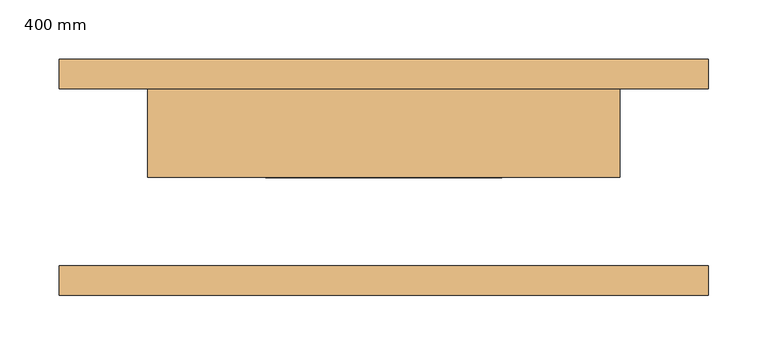
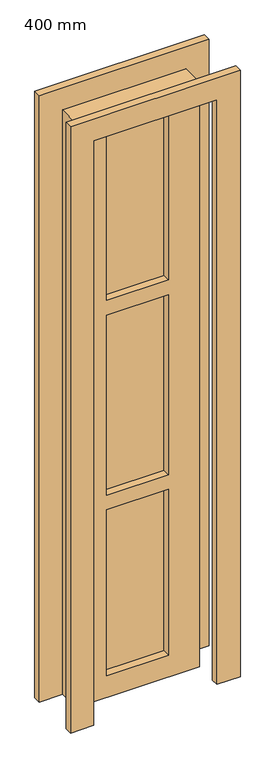
"""IFC4 building model written with IfcOpenShell, lengths in millimetres: door geometry, 400 mm."""

from ifc_helpers import new_model, si_unit, frame, origin, place, context, project, spatial, polyline, outline, extrude, source, transform, mapped, element, save


def door_400_mm_447e9571(model_context):
    return source(origin(), model_context, "Body", "SweptSolid", [
        extrude(outline(polyline([(2000.0, -200.0), (2000.0, 200.0), (0.0, 200.0), (0.0, 275.0), (2075.0, 275.0), (2075.0, -275.0), (0.0, -275.0), (0.0, -200.0), (2000.0, -200.0)])), frame((0.0, 75.0, 0.0), z_axis=(0.0, 1.0, 0.0), x_axis=(0.0, 0.0, 1.0)), (0.0, 0.0, 1.0), 25.0),
        extrude(outline(polyline([(2075.0, -275.0), (0.0, -275.0), (0.0, -200.0), (2000.0, -200.0), (2000.0, 200.0), (0.0, 200.0), (0.0, 275.0), (2075.0, 275.0), (2075.0, -275.0)])), frame((0.0, -100.0, 0.0), z_axis=(0.0, 1.0, 0.0), x_axis=(0.0, 0.0, 1.0)), (0.0, 0.0, 1.0), 25.0),
        extrude(outline(polyline([(-100.0, 50.0), (100.0, 50.0), (100.0, 25.0), (-100.0, 25.0), (-100.0, 50.0)])), frame((0.0, 0.0, 691.7), z_axis=(0.0, 0.0, 1.0), x_axis=(1.0, 0.0, 0.0)), (0.0, 0.0, 1.0), 616.7),
        extrude(outline(polyline([(2000.0, 200.0), (2000.0, -200.0), (0.0, -200.0), (0.0, 200.0), (2000.0, 200.0)]), holes=[polyline([(641.7333333, -100.0), (641.7333333, 100.0), (75.0333333, 100.0), (75.0333333, -100.0), (641.7333333, -100.0)]), polyline([(1308.4, -100.0), (1308.4, 100.0), (691.7, 100.0), (691.7, -100.0), (1308.4, -100.0)]), polyline([(1925.0666667, -100.0), (1925.0666667, 100.0), (1358.3666667, 100.0), (1358.3666667, -100.0), (1925.0666667, -100.0)])]), frame((0.0, 0.0, 0.0), z_axis=(0.0, 1.0, 0.0), x_axis=(0.0, 0.0, 1.0)), (0.0, 0.0, 1.0), 75.0),
        extrude(outline(polyline([(-100.0, 50.0), (100.0, 50.0), (100.0, 25.0), (-100.0, 25.0), (-100.0, 50.0)])), frame((0.0, 0.0, 25.0333333), z_axis=(0.0, 0.0, 1.0), x_axis=(1.0, 0.0, 0.0)), (0.0, 0.0, 1.0), 616.7),
        extrude(outline(polyline([(-100.0, 50.0), (100.0, 50.0), (100.0, 25.0), (-100.0, 25.0), (-100.0, 50.0)])), frame((0.0, 0.0, 1358.3666667), z_axis=(0.0, 0.0, 1.0), x_axis=(1.0, 0.0, 0.0)), (0.0, 0.0, 1.0), 616.7),
    ])


if __name__ == "__main__":
    model = new_model("IFC4")
    model_context = context("Model", 3, world=origin())
    ifc_project = project(units=[si_unit("LENGTHUNIT", "METRE", prefix="MILLI")], contexts=[model_context])
    site = spatial("IfcSite", under=ifc_project)
    building = spatial("IfcBuilding", under=site)
    placement = place(None, origin())
    door_400_mm_shape = door_400_mm_447e9571(model_context)
    element("IfcDoor", 1, ObjectType="400 mm", at=placement, inside=building, context=model_context, shape_type="MappedRepresentation", body=[
        mapped(door_400_mm_shape, transform((0.0, 0.0, 0.0), x_axis=(1.0, 0.0, 0.0), y_axis=(0.0, 1.0, 0.0), z_axis=(0.0, 0.0, 1.0))),
    ])
    save(model, "model.ifc")
